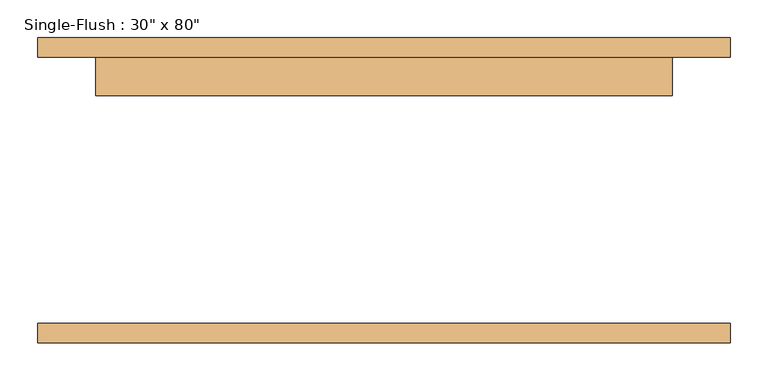
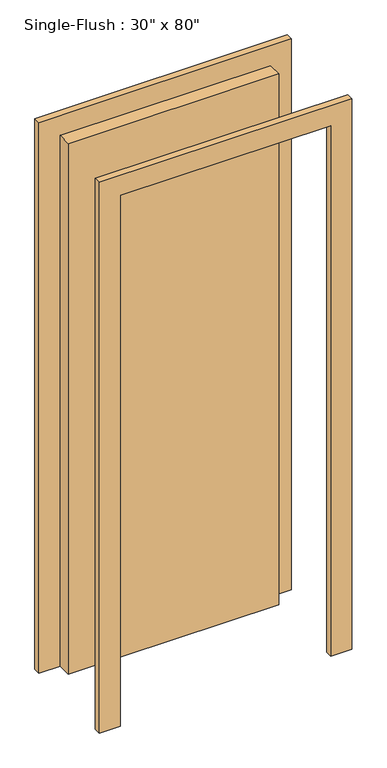
"""IFC4 building model written with IfcOpenShell, lengths in millimetres: door geometry."""

from ifc_helpers import new_model, si_unit, frame, origin, origin_with_axes, place, context, project, spatial, polyline, outline, extrude, source, transform, mapped, element, save


def door_c5eb6496(model_context):
    return source(origin(), model_context, "Body", "SweptSolid", [
        extrude(outline(polyline([(2108.2, -457.2), (0.0, -457.2), (0.0, -381.0), (2032.0, -381.0), (2032.0, 381.0), (0.0, 381.0), (0.0, 457.2), (2108.2, 457.2), (2108.2, -457.2)])), frame((0.0, 176.2125, 0.0), z_axis=(0.0, 1.0, 0.0), x_axis=(0.0, 0.0, 1.0)), (0.0, 0.0, 1.0), 25.4),
        extrude(outline(polyline([(2108.2, 457.2), (2108.2, -457.2), (0.0, -457.2), (0.0, -381.0), (2032.0, -381.0), (2032.0, 381.0), (0.0, 381.0), (0.0, 457.2), (2108.2, 457.2)])), frame((0.0, -201.6125, 0.0), z_axis=(0.0, 1.0, 0.0), x_axis=(0.0, 0.0, 1.0)), (0.0, 0.0, 1.0), 25.4),
        extrude(outline(polyline([(381.0, 125.4125), (-381.0, 125.4125), (-381.0, 176.2125), (381.0, 176.2125), (381.0, 125.4125)])), origin_with_axes(), (0.0, 0.0, 1.0), 2032.0),
    ])


if __name__ == "__main__":
    model = new_model("IFC4")
    model_context = context("Model", 3, world=origin())
    ifc_project = project(units=[si_unit("LENGTHUNIT", "METRE", prefix="MILLI")], contexts=[model_context])
    site = spatial("IfcSite", under=ifc_project)
    building = spatial("IfcBuilding", under=site)
    placement = place(None, origin())
    door_shape = door_c5eb6496(model_context)
    element("IfcDoor", 1, ObjectType="Single-Flush : 30\" x 80\"", at=placement, inside=building, context=model_context, shape_type="MappedRepresentation", body=[
        mapped(door_shape, transform((0.0, 0.0, 0.0), x_axis=(1.0, 0.0, 0.0), y_axis=(0.0, 1.0, 0.0), z_axis=(0.0, 0.0, 1.0))),
    ])
    save(model, "model.ifc")
